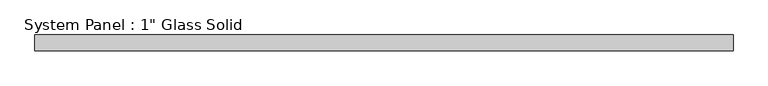
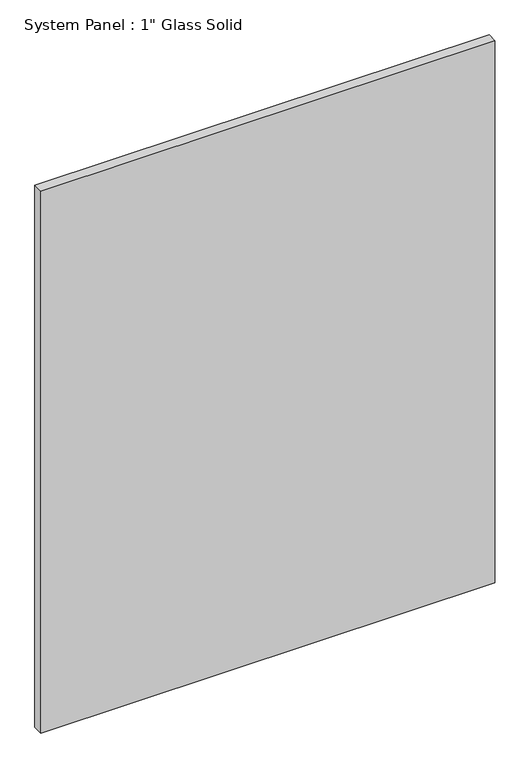
"""IFC4 building model written with IfcOpenShell, lengths in millimetres: plate geometry."""

from ifc_helpers import new_model, si_unit, origin, origin_with_axes, place, context, project, spatial, polyline, outline, extrude, source, transform, mapped, element, save


def plate_3302850b(model_context):
    return source(origin(), model_context, "Body", "SweptSolid", [
        extrude(outline(polyline([(568.3258852, -12.7), (-568.3258852, -12.7), (-568.3258852, 12.7), (568.3258852, 12.7), (568.3258852, -12.7)])), origin_with_axes(), (0.0, 0.0, 1.0), 1433.8317704),
    ])


if __name__ == "__main__":
    model = new_model("IFC4")
    model_context = context("Model", 3, world=origin())
    ifc_project = project(units=[si_unit("LENGTHUNIT", "METRE", prefix="MILLI")], contexts=[model_context])
    site = spatial("IfcSite", under=ifc_project)
    building = spatial("IfcBuilding", under=site)
    placement = place(None, origin())
    plate_shape = plate_3302850b(model_context)
    element("IfcPlate", 1, ObjectType="System Panel : 1\" Glass Solid", at=placement, inside=building, context=model_context, shape_type="MappedRepresentation", body=[
        mapped(plate_shape, transform((0.0, 0.0, 0.0), x_axis=(1.0, 0.0, 0.0), y_axis=(0.0, 1.0, 0.0), z_axis=(0.0, 0.0, 1.0))),
    ])
    save(model, "model.ifc")
